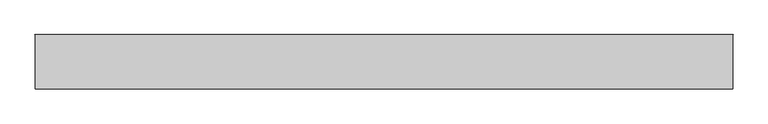
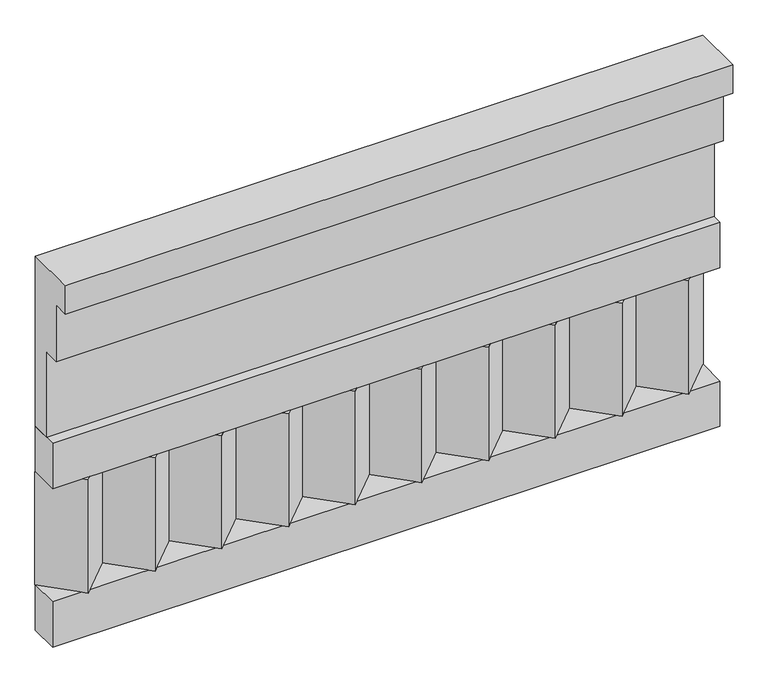
"""IFC4 building model written with IfcOpenShell, lengths in millimetres: railing geometry."""

from ifc_helpers import new_model, si_unit, frame, origin, place, context, project, spatial, polyline, outline, extrude, source, transform, mapped, element, save


def railing_9bf75f96(model_context):
    return source(origin(), model_context, "Body", "SweptSolid", [
        extrude(outline(polyline([(-16816.8920513, 15205.0), (-16816.8920513, 14755.0), (-16866.8920513, 14755.0), (-16866.8920513, 14980.0), (-16906.8920513, 14980.0), (-16906.8920513, 15130.0), (-16946.8920513, 15130.0), (-16946.8920513, 15205.0), (-16816.8920513, 15205.0)])), frame((-22709.9887159, 0.0, 0.0), z_axis=(1.0, 0.0, 0.0), x_axis=(0.0, 1.0, 0.0)), (0.0, 0.0, 1.0), 1670.0),
        extrude(outline(polyline([(-22709.9887159, -16891.8920513), (-22709.9887159, -16816.8920513), (-21039.9887159, -16816.8920513), (-21039.9887159, -16891.8920513), (-22709.9887159, -16891.8920513)])), frame((0.0, 0.0, 14635.0), z_axis=(0.0, 0.0, 1.0), x_axis=(1.0, 0.0, 0.0)), (0.0, 0.0, 1.0), 120.0),
        extrude(outline(polyline([(-22709.9887159, -16891.8920513), (-22709.9887159, -16816.8920513), (-21039.9887159, -16816.8920513), (-21039.9887159, -16891.8920513), (-22709.9887159, -16891.8920513)])), frame((0.0, 0.0, 14215.0), z_axis=(0.0, 0.0, 1.0), x_axis=(1.0, 0.0, 0.0)), (0.0, 0.0, 1.0), 120.0),
        extrude(outline(polyline([(-21123.4887159, -16901.7448651), (-21208.3415296, -16816.8920513), (-21038.6359022, -16816.8920513), (-21123.4887159, -16901.7448651)])), frame((0.0, 0.0, 14335.0), z_axis=(0.0, 0.0, 1.0), x_axis=(1.0, 0.0, 0.0)), (0.0, 0.0, 1.0), 300.0),
        extrude(outline(polyline([(-21290.4887159, -16901.7448651), (-21375.3415296, -16816.8920513), (-21205.6359022, -16816.8920513), (-21290.4887159, -16901.7448651)])), frame((0.0, 0.0, 14335.0), z_axis=(0.0, 0.0, 1.0), x_axis=(1.0, 0.0, 0.0)), (0.0, 0.0, 1.0), 300.0),
        extrude(outline(polyline([(-21457.4887159, -16901.7448651), (-21542.3415296, -16816.8920513), (-21372.6359022, -16816.8920513), (-21457.4887159, -16901.7448651)])), frame((0.0, 0.0, 14335.0), z_axis=(0.0, 0.0, 1.0), x_axis=(1.0, 0.0, 0.0)), (0.0, 0.0, 1.0), 300.0),
        extrude(outline(polyline([(-21624.4887159, -16901.7448651), (-21709.3415296, -16816.8920513), (-21539.6359022, -16816.8920513), (-21624.4887159, -16901.7448651)])), frame((0.0, 0.0, 14335.0), z_axis=(0.0, 0.0, 1.0), x_axis=(1.0, 0.0, 0.0)), (0.0, 0.0, 1.0), 300.0),
        extrude(outline(polyline([(-21791.4887159, -16901.7448651), (-21876.3415296, -16816.8920513), (-21706.6359022, -16816.8920513), (-21791.4887159, -16901.7448651)])), frame((0.0, 0.0, 14335.0), z_axis=(0.0, 0.0, 1.0), x_axis=(1.0, 0.0, 0.0)), (0.0, 0.0, 1.0), 300.0),
        extrude(outline(polyline([(-21958.4887159, -16901.7448651), (-22043.3415296, -16816.8920513), (-21873.6359022, -16816.8920513), (-21958.4887159, -16901.7448651)])), frame((0.0, 0.0, 14335.0), z_axis=(0.0, 0.0, 1.0), x_axis=(1.0, 0.0, 0.0)), (0.0, 0.0, 1.0), 300.0),
        extrude(outline(polyline([(-22125.4887159, -16901.7448651), (-22210.3415296, -16816.8920513), (-22040.6359022, -16816.8920513), (-22125.4887159, -16901.7448651)])), frame((0.0, 0.0, 14335.0), z_axis=(0.0, 0.0, 1.0), x_axis=(1.0, 0.0, 0.0)), (0.0, 0.0, 1.0), 300.0),
        extrude(outline(polyline([(-22292.4887159, -16901.7448651), (-22377.3415296, -16816.8920513), (-22207.6359022, -16816.8920513), (-22292.4887159, -16901.7448651)])), frame((0.0, 0.0, 14335.0), z_axis=(0.0, 0.0, 1.0), x_axis=(1.0, 0.0, 0.0)), (0.0, 0.0, 1.0), 300.0),
        extrude(outline(polyline([(-22459.4887159, -16901.7448651), (-22544.3415296, -16816.8920513), (-22374.6359022, -16816.8920513), (-22459.4887159, -16901.7448651)])), frame((0.0, 0.0, 14335.0), z_axis=(0.0, 0.0, 1.0), x_axis=(1.0, 0.0, 0.0)), (0.0, 0.0, 1.0), 300.0),
        extrude(outline(polyline([(-22626.4887159, -16901.7448651), (-22711.3415296, -16816.8920513), (-22541.6359022, -16816.8920513), (-22626.4887159, -16901.7448651)])), frame((0.0, 0.0, 14335.0), z_axis=(0.0, 0.0, 1.0), x_axis=(1.0, 0.0, 0.0)), (0.0, 0.0, 1.0), 300.0),
    ])


if __name__ == "__main__":
    model = new_model("IFC4")
    model_context = context("Model", 3, world=origin())
    ifc_project = project(units=[si_unit("LENGTHUNIT", "METRE", prefix="MILLI")], contexts=[model_context])
    site = spatial("IfcSite", under=ifc_project)
    building = spatial("IfcBuilding", under=site)
    placement = place(None, origin())
    railing_shape = railing_9bf75f96(model_context)
    element("IfcRailing", 1, at=placement, inside=building, context=model_context, shape_type="MappedRepresentation", body=[
        mapped(railing_shape, transform((0.0, 0.0, 0.0), x_axis=(1.0, 0.0, 0.0), y_axis=(0.0, 1.0, 0.0), z_axis=(0.0, 0.0, 1.0))),
    ])
    save(model, "model.ifc")
